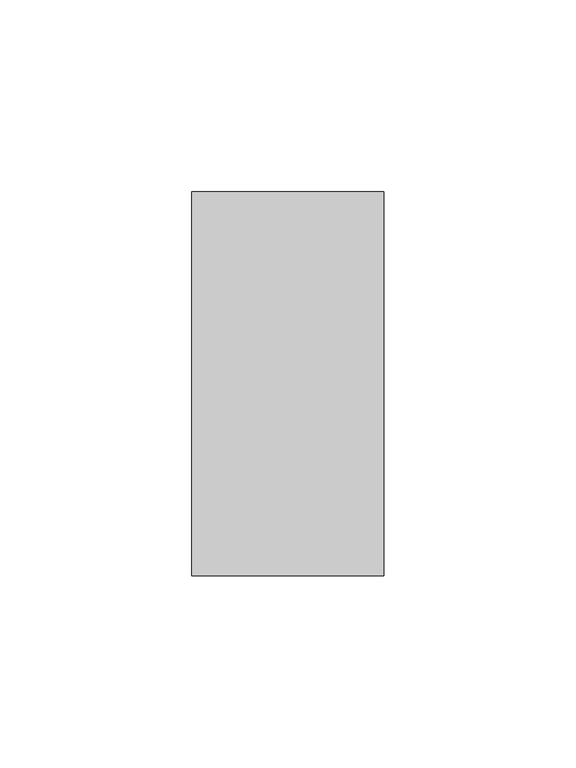
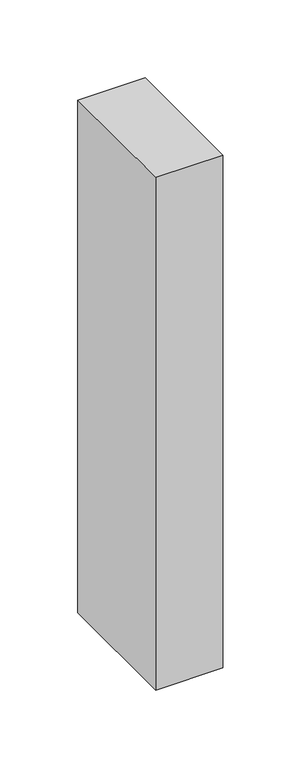
"""IFC4 building model written with IfcOpenShell, lengths in millimetres: member geometry."""

from ifc_helpers import new_model, si_unit, frame, origin, place, context, project, spatial, polyline, outline, extrude, source, transform, mapped, element, save


def member_fb336662(model_context):
    return source(origin(), model_context, "Body", "SweptSolid", [
        extrude(outline(polyline([(0.0, 50.0), (0.0, -50.0), (-50.0, -50.0), (-50.0, 50.0), (0.0, 50.0)])), frame((0.0, 0.0, -402.5), z_axis=(0.0, 0.0, 1.0), x_axis=(1.0, 0.0, 0.0)), (0.0, 0.0, 1.0), 402.5),
    ])


if __name__ == "__main__":
    model = new_model("IFC4")
    model_context = context("Model", 3, world=origin())
    ifc_project = project(units=[si_unit("LENGTHUNIT", "METRE", prefix="MILLI")], contexts=[model_context])
    site = spatial("IfcSite", under=ifc_project)
    building = spatial("IfcBuilding", under=site)
    placement = place(None, origin())
    member_shape = member_fb336662(model_context)
    element("IfcMember", 1, at=placement, inside=building, context=model_context, shape_type="MappedRepresentation", body=[
        mapped(member_shape, transform((0.0, 0.0, 0.0), x_axis=(1.0, 0.0, 0.0), y_axis=(0.0, 1.0, 0.0), z_axis=(0.0, 0.0, 1.0))),
    ])
    save(model, "model.ifc")
